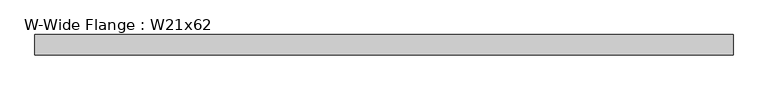
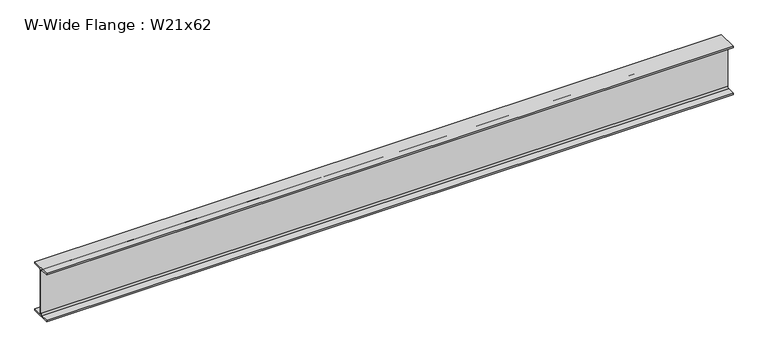
"""IFC4 building model written with IfcOpenShell, lengths in millimetres: beam geometry, W-Wide Flange : W21x62."""

from ifc_helpers import new_model, si_unit, point, frame, frame_2d, origin, place, context, project, spatial, polyline, circle_curve, trimmed, segment, composite_curve, outline, extrude, source, transform, mapped, element, save


def w_wide_flange_w21x62_bb73a885(model_context):
    return source(origin(), model_context, "Body", "SweptSolid", [
        extrude(outline(composite_curve([segment(polyline([(104.648, -251.079), (104.648, -266.7), (-104.648, -266.7), (-104.648, -251.079), (-22.7965, -251.079)]), True, "CONTINUOUS"), segment(trimmed(circle_curve(frame_2d((-22.7965, -233.3625)), 17.7165), [point((-22.7965, -251.079))], [point((-5.08, -233.3625))], True, "CARTESIAN"), True, "CONTINUOUS"), segment(polyline([(-5.08, -233.3625), (-5.08, 233.3625)]), True, "CONTINUOUS"), segment(trimmed(circle_curve(frame_2d((-22.7965, 233.3625)), 17.7165), [point((-5.08, 233.3625))], [point((-22.7965, 251.079))], True, "CARTESIAN"), True, "CONTINUOUS"), segment(polyline([(-22.7965, 251.079), (-104.648, 251.079), (-104.648, 266.7), (104.648, 266.7), (104.648, 251.079), (22.7965, 251.079)]), True, "CONTINUOUS"), segment(trimmed(circle_curve(frame_2d((22.7965, 233.3625)), 17.7165), [point((22.7965, 251.079))], [point((5.08, 233.3625))], True, "CARTESIAN"), True, "CONTINUOUS"), segment(polyline([(5.08, 233.3625), (5.08, -233.3625)]), True, "CONTINUOUS"), segment(trimmed(circle_curve(frame_2d((22.7965, -233.3625)), 17.7165), [point((5.08, -233.3625))], [point((22.7965, -251.079))], True, "CARTESIAN"), True, "CONTINUOUS"), segment(polyline([(22.7965, -251.079), (104.648, -251.079)]), True, "CONTINUOUS")], self_intersect=False)), frame((-3515.36, 0.0, 0.0), z_axis=(1.0, 0.0, 0.0), x_axis=(0.0, 1.0, 0.0)), (0.0, 0.0, 1.0), 7154.926),
    ])


if __name__ == "__main__":
    model = new_model("IFC4")
    model_context = context("Model", 3, world=origin())
    ifc_project = project(units=[si_unit("LENGTHUNIT", "METRE", prefix="MILLI")], contexts=[model_context])
    site = spatial("IfcSite", under=ifc_project)
    building = spatial("IfcBuilding", under=site)
    placement = place(None, origin())
    w_wide_flange_w21x62_shape = w_wide_flange_w21x62_bb73a885(model_context)
    element("IfcBeam", 1, ObjectType="W-Wide Flange : W21x62", at=placement, inside=building, context=model_context, shape_type="MappedRepresentation", body=[
        mapped(w_wide_flange_w21x62_shape, transform((0.0, 0.0, 0.0), x_axis=(1.0, 0.0, 0.0), y_axis=(0.0, 1.0, 0.0), z_axis=(0.0, 0.0, 1.0))),
    ])
    save(model, "model.ifc")
